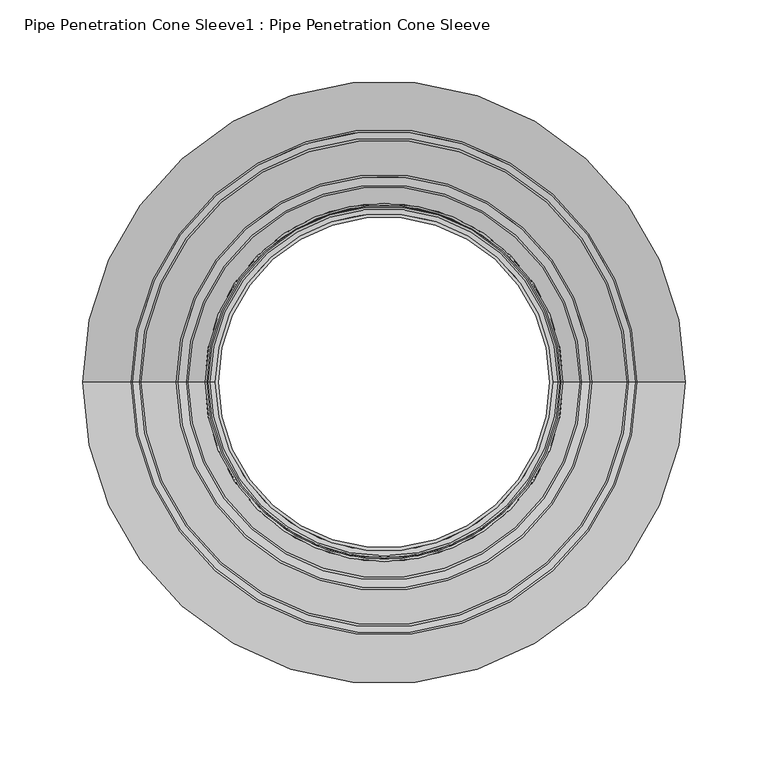
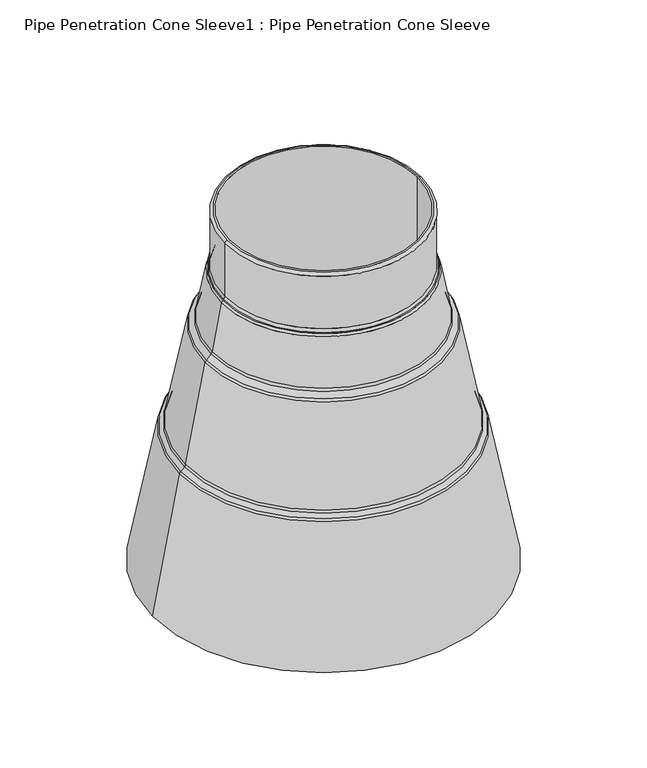
"""IFC4 building model written with IfcOpenShell, lengths in millimetres: proxy geometry, Pipe Penetration Cone Sleeve1 : Pipe Penetration Cone Sleeve."""

from ifc_helpers import new_model, si_unit, point, frame, origin, place, context, project, spatial, polyline, circle_curve, ellipse_curve, trimmed, source, transform, mapped, element, save
from ifc_brep_helpers import plane_surface, cylinder_surface, revolved_surface, advanced_brep


def pipe_penetration_cone_sleeve1_pipe_penetration_cone_sleeve_346cce12(model_context):
    return source(origin(), model_context, "Body", "AdvancedBrep", [
        advanced_brep(
        [(38092.6228888, -8416.4751597, 6298.0553219), (38292.6228888, -8416.4751597, 6298.0553219), (38292.6228888, -8416.4751597, 5903.0553219), (38092.6228888, -8416.4751597, 5903.0553219), (38087.6228888, -8416.4751597, 6236.1736828), (38297.6228888, -8416.4751597, 6236.1736828), (38297.6228888, -8416.4751597, 6295.0558584), (38087.6228888, -8416.4751597, 6295.0558584), (38085.5854491, -8416.4751597, 6232.0651753), (38299.6603285, -8416.4751597, 6232.0651753), (38299.0873549, -8416.4751597, 6232.6381489), (38086.1584227, -8416.4751597, 6232.6381489), (38074.301714, -8416.4751597, 6178.4953268), (38310.9440636, -8416.4751597, 6178.4953268), (38301.0329305, -8416.4751597, 6229.4836864), (38084.2128471, -8416.4751597, 6229.4836864), (38068.0198865, -8416.4751597, 6171.0046124), (38317.225891, -8416.4751597, 6171.0046124), (38312.3166656, -8416.4751597, 6175.9138378), (38072.929112, -8416.4751597, 6175.9138378), (38045.8381123, -8416.4751597, 6061.3692131), (38339.4076652, -8416.4751597, 6061.3692131), (38318.598493, -8416.4751597, 6168.4231235), (38066.6472845, -8416.4751597, 6168.4231235), (38040.7732679, -8416.4751597, 6055.0954818), (38344.4725096, -8416.4751597, 6055.0954818), (38340.7802672, -8416.4751597, 6058.7877242), (38044.4655103, -8416.4751597, 6058.7877242), (38010.3488433, -8416.4751597, 5903.0553219), (38374.8969343, -8416.4751597, 5903.0553219), (38345.8451116, -8416.4751597, 6052.5139928), (38039.4006659, -8416.4751597, 6052.5139928), (38294.6234252, -8416.4751597, 6298.0553219), (38090.6223523, -8416.4751597, 6298.0553219)],
        [
            (0, 1, circle_curve(frame((38192.6228888, -8416.4751597, 6298.0553219), z_axis=(0.0, 0.0, 1.0), x_axis=(1.0, 0.0, 0.0)), 100.0)),
            (1, 2),
            (2, 3, circle_curve(frame((38192.6228888, -8416.4751597, 5903.0553219), z_axis=(0.0, 0.0, -1.0), x_axis=(1.0, 0.0, 0.0)), 100.0)),
            (3, 0),
            (4, 5, circle_curve(frame((38192.6228888, -8416.4751597, 6236.1736828), z_axis=(0.0, 0.0, 1.0), x_axis=(1.0, 0.0, 0.0)), 105.0)),
            (5, 6),
            (6, 7, circle_curve(frame((38192.6228888, -8416.4751597, 6295.0558584), z_axis=(0.0, 0.0, -1.0), x_axis=(1.0, 0.0, 0.0)), 105.0)),
            (7, 4),
            (8, 9, circle_curve(frame((38192.6228888, -8416.4751597, 6232.0651753), z_axis=(0.0, 0.0, 1.0), x_axis=(1.0, 0.0, 0.0)), 107.0374397)),
            (9, 10),
            (10, 11, circle_curve(frame((38192.6228888, -8416.4751597, 6232.6381489), z_axis=(0.0, 0.0, -1.0), x_axis=(1.0, 0.0, 0.0)), 106.4644661)),
            (11, 8),
            (12, 13, circle_curve(frame((38192.6228888, -8416.4751597, 6178.4953268), z_axis=(0.0, 0.0, 1.0), x_axis=(1.0, 0.0, 0.0)), 118.3211748)),
            (13, 14),
            (14, 15, circle_curve(frame((38192.6228888, -8416.4751597, 6229.4836864), z_axis=(0.0, 0.0, -1.0), x_axis=(1.0, 0.0, 0.0)), 108.4100417)),
            (15, 12),
            (16, 17, circle_curve(frame((38192.6228888, -8416.4751597, 6171.0046124), z_axis=(0.0, 0.0, 1.0), x_axis=(1.0, 0.0, 0.0)), 124.6030022)),
            (17, 18),
            (18, 19, circle_curve(frame((38192.6228888, -8416.4751597, 6175.9138378), z_axis=(0.0, 0.0, -1.0), x_axis=(1.0, 0.0, 0.0)), 119.6937768)),
            (19, 16),
            (20, 21, circle_curve(frame((38192.6228888, -8416.4751597, 6061.3692131), z_axis=(0.0, 0.0, 1.0), x_axis=(1.0, 0.0, 0.0)), 146.7847764)),
            (21, 22),
            (22, 23, circle_curve(frame((38192.6228888, -8416.4751597, 6168.4231235), z_axis=(0.0, 0.0, -1.0), x_axis=(1.0, 0.0, 0.0)), 125.9756043)),
            (23, 20),
            (24, 25, circle_curve(frame((38192.6228888, -8416.4751597, 6055.0954818), z_axis=(0.0, 0.0, 1.0), x_axis=(1.0, 0.0, 0.0)), 151.8496208)),
            (25, 26),
            (26, 27, circle_curve(frame((38192.6228888, -8416.4751597, 6058.7877242), z_axis=(0.0, 0.0, -1.0), x_axis=(1.0, 0.0, 0.0)), 148.1573785)),
            (27, 24),
            (28, 29, circle_curve(frame((38192.6228888, -8416.4751597, 5903.0553219), z_axis=(0.0, 0.0, 1.0), x_axis=(1.0, 0.0, 0.0)), 182.2740455)),
            (29, 30),
            (30, 31, circle_curve(frame((38192.6228888, -8416.4751597, 6052.5139928), z_axis=(0.0, 0.0, -1.0), x_axis=(1.0, 0.0, 0.0)), 153.2222229)),
            (31, 28),
            (1, 0, circle_curve(frame((38192.6228888, -8416.4751597, 6298.0553219), z_axis=(0.0, 0.0, 1.0), x_axis=(-1.0, 0.0, 0.0)), 100.0)),
            (3, 2, circle_curve(frame((38192.6228888, -8416.4751597, 5903.0553219), z_axis=(0.0, 0.0, -1.0), x_axis=(-1.0, 0.0, 0.0)), 100.0)),
            (32, 33, circle_curve(frame((38192.6228888, -8416.4751597, 6298.0553219), z_axis=(0.0, 0.0, 1.0), x_axis=(-1.0, 0.0, 0.0)), 102.0005365)),
            (33, 32, circle_curve(frame((38192.6228888, -8416.4751597, 6298.0553219), z_axis=(0.0, 0.0, 1.0), x_axis=(1.0, 0.0, 0.0)), 102.0005365)),
            (5, 4, circle_curve(frame((38192.6228888, -8416.4751597, 6236.1736828), z_axis=(0.0, 0.0, 1.0), x_axis=(-1.0, 0.0, 0.0)), 105.0)),
            (7, 6, circle_curve(frame((38192.6228888, -8416.4751597, 6295.0558584), z_axis=(0.0, 0.0, -1.0), x_axis=(-1.0, 0.0, 0.0)), 105.0)),
            (9, 8, circle_curve(frame((38192.6228888, -8416.4751597, 6232.0651753), z_axis=(0.0, 0.0, 1.0), x_axis=(-1.0, 0.0, 0.0)), 107.0374397)),
            (11, 10, circle_curve(frame((38192.6228888, -8416.4751597, 6232.6381489), z_axis=(0.0, 0.0, -1.0), x_axis=(-1.0, 0.0, 0.0)), 106.4644661)),
            (13, 12, circle_curve(frame((38192.6228888, -8416.4751597, 6178.4953268), z_axis=(0.0, 0.0, 1.0), x_axis=(-1.0, 0.0, 0.0)), 118.3211748)),
            (15, 14, circle_curve(frame((38192.6228888, -8416.4751597, 6229.4836864), z_axis=(0.0, 0.0, -1.0), x_axis=(-1.0, 0.0, 0.0)), 108.4100417)),
            (17, 16, circle_curve(frame((38192.6228888, -8416.4751597, 6171.0046124), z_axis=(0.0, 0.0, 1.0), x_axis=(-1.0, 0.0, 0.0)), 124.6030022)),
            (19, 18, circle_curve(frame((38192.6228888, -8416.4751597, 6175.9138378), z_axis=(0.0, 0.0, -1.0), x_axis=(-1.0, 0.0, 0.0)), 119.6937768)),
            (21, 20, circle_curve(frame((38192.6228888, -8416.4751597, 6061.3692131), z_axis=(0.0, 0.0, 1.0), x_axis=(-1.0, 0.0, 0.0)), 146.7847764)),
            (23, 22, circle_curve(frame((38192.6228888, -8416.4751597, 6168.4231235), z_axis=(0.0, 0.0, -1.0), x_axis=(-1.0, 0.0, 0.0)), 125.9756043)),
            (25, 24, circle_curve(frame((38192.6228888, -8416.4751597, 6055.0954818), z_axis=(0.0, 0.0, 1.0), x_axis=(-1.0, 0.0, 0.0)), 151.8496208)),
            (27, 26, circle_curve(frame((38192.6228888, -8416.4751597, 6058.7877242), z_axis=(0.0, 0.0, -1.0), x_axis=(-1.0, 0.0, 0.0)), 148.1573785)),
            (29, 28, circle_curve(frame((38192.6228888, -8416.4751597, 5903.0553219), z_axis=(0.0, 0.0, 1.0), x_axis=(-1.0, 0.0, 0.0)), 182.2740455)),
            (31, 30, circle_curve(frame((38192.6228888, -8416.4751597, 6052.5139928), z_axis=(0.0, 0.0, -1.0), x_axis=(-1.0, 0.0, 0.0)), 153.2222229)),
            (10, 5, circle_curve(frame((38302.6228888, -8416.4751597, 6236.1736828), z_axis=(0.0, 1.0, 0.0), x_axis=(1.0, 0.0, 0.0)), 5.0)),
            (4, 11, circle_curve(frame((38082.6228888, -8416.4751597, 6236.1736828), z_axis=(0.0, 1.0, 0.0), x_axis=(-1.0, 0.0, 0.0)), 5.0)),
            (14, 9, circle_curve(frame((38296.1247945, -8416.4751597, 6228.5296414), z_axis=(0.0, -1.0, 0.0), x_axis=(1.0, 0.0, 0.0)), 5.0)),
            (8, 15, circle_curve(frame((38089.120983, -8416.4751597, 6228.5296414), z_axis=(0.0, -1.0, 0.0), x_axis=(-1.0, 0.0, 0.0)), 5.0)),
            (18, 13, circle_curve(frame((38315.8521995, -8416.4751597, 6179.4493717), z_axis=(0.0, 1.0, 0.0), x_axis=(1.0, 0.0, 0.0)), 5.0)),
            (12, 19, circle_curve(frame((38069.393578, -8416.4751597, 6179.4493717), z_axis=(0.0, 1.0, 0.0), x_axis=(-1.0, 0.0, 0.0)), 5.0)),
            (22, 17, circle_curve(frame((38313.6903571, -8416.4751597, 6167.4690785), z_axis=(0.0, -1.0, 0.0), x_axis=(1.0, 0.0, 0.0)), 5.0)),
            (16, 23, circle_curve(frame((38071.5554204, -8416.4751597, 6167.4690785), z_axis=(0.0, -1.0, 0.0), x_axis=(-1.0, 0.0, 0.0)), 5.0)),
            (26, 21, circle_curve(frame((38344.3158011, -8416.4751597, 6062.3232581), z_axis=(0.0, 1.0, 0.0), x_axis=(1.0, 0.0, 0.0)), 5.0)),
            (20, 27, circle_curve(frame((38040.9299764, -8416.4751597, 6062.3232581), z_axis=(0.0, 1.0, 0.0), x_axis=(-1.0, 0.0, 0.0)), 5.0)),
            (30, 25, circle_curve(frame((38340.9369757, -8416.4751597, 6051.5599479), z_axis=(0.0, -1.0, 0.0), x_axis=(1.0, 0.0, 0.0)), 5.0)),
            (24, 31, circle_curve(frame((38044.3088018, -8416.4751597, 6051.5599479), z_axis=(0.0, -1.0, 0.0), x_axis=(-1.0, 0.0, 0.0)), 5.0)),
            (6, 32, circle_curve(frame((38294.6234252, -8416.4751597, 6295.0558584), z_axis=(0.0, -1.0, 0.0), x_axis=(1.0, 0.0, 0.0)), 2.9994635)),
            (33, 7, circle_curve(frame((38090.6223523, -8416.4751597, 6295.0558584), z_axis=(0.0, -1.0, 0.0), x_axis=(-1.0, 0.0, 0.0)), 2.9994635)),
        ],
        [
            revolved_surface(polyline([(38292.6228888, -8416.4751597, 5903.0553219), (38292.6228888, -8416.4751597, 6298.0553219)]), (38192.6228888, -8416.4751597, 6708.0553219), (0.0, 0.0, -1.0)),
            cylinder_surface(frame((38192.6228888, -8416.4751597, 6708.0553219), z_axis=(0.0, 0.0, -1.0), x_axis=(1.0, 0.0, 0.0)), 105.0),
            revolved_surface(polyline([(38299.0873549, -8416.4751597, 6232.6381489), (38299.6603285, -8416.4751597, 6232.0651753)]), (38192.6228888, -8416.4751597, 6708.0553219), (0.0, 0.0, -1.0)),
            revolved_surface(polyline([(38301.0329305, -8416.4751597, 6229.4836864), (38310.9440636, -8416.4751597, 6178.4953268)]), (38192.6228888, -8416.4751597, 6708.0553219), (0.0, 0.0, -1.0)),
            revolved_surface(polyline([(38312.3166656, -8416.4751597, 6175.9138378), (38317.225891, -8416.4751597, 6171.0046124)]), (38192.6228888, -8416.4751597, 6708.0553219), (0.0, 0.0, -1.0)),
            revolved_surface(polyline([(38318.598493, -8416.4751597, 6168.4231235), (38339.4076652, -8416.4751597, 6061.3692131)]), (38192.6228888, -8416.4751597, 6708.0553219), (0.0, 0.0, -1.0)),
            revolved_surface(polyline([(38340.7802672, -8416.4751597, 6058.7877242), (38344.4725096, -8416.4751597, 6055.0954818)]), (38192.6228888, -8416.4751597, 6708.0553219), (0.0, 0.0, -1.0)),
            revolved_surface(polyline([(38345.8451116, -8416.4751597, 6052.5139928), (38374.8969343, -8416.4751597, 5903.0553219)]), (38192.6228888, -8416.4751597, 6708.0553219), (0.0, 0.0, -1.0)),
            revolved_surface(polyline([(38092.6228888, -8416.4751597, 5903.0553219), (38092.6228888, -8416.4751597, 6298.0553219)]), (38192.6228888, -8416.4751597, 6708.0553219), (0.0, 0.0, -1.0)),
            plane_surface(frame((38192.6228888, -8416.4751597, 6298.0553219), z_axis=(0.0, 0.0, 1.0), x_axis=(-1.0, 0.0, 0.0))),
            cylinder_surface(frame((38192.6228888, -8416.4751597, 6708.0553219), z_axis=(0.0, 0.0, -1.0), x_axis=(-1.0, 0.0, 0.0)), 105.0),
            revolved_surface(polyline([(38086.1584227, -8416.4751597, 6232.6381489), (38085.5854491, -8416.4751597, 6232.0651753)]), (38192.6228888, -8416.4751597, 6708.0553219), (0.0, 0.0, -1.0)),
            revolved_surface(polyline([(38084.2128471, -8416.4751597, 6229.4836864), (38074.301714, -8416.4751597, 6178.4953268)]), (38192.6228888, -8416.4751597, 6708.0553219), (0.0, 0.0, -1.0)),
            revolved_surface(polyline([(38072.929112, -8416.4751597, 6175.9138378), (38068.0198865, -8416.4751597, 6171.0046124)]), (38192.6228888, -8416.4751597, 6708.0553219), (0.0, 0.0, -1.0)),
            revolved_surface(polyline([(38066.6472845, -8416.4751597, 6168.4231235), (38045.8381123, -8416.4751597, 6061.3692131)]), (38192.6228888, -8416.4751597, 6708.0553219), (0.0, 0.0, -1.0)),
            revolved_surface(polyline([(38044.4655103, -8416.4751597, 6058.7877242), (38040.7732679, -8416.4751597, 6055.0954818)]), (38192.6228888, -8416.4751597, 6708.0553219), (0.0, 0.0, -1.0)),
            revolved_surface(polyline([(38039.4006659, -8416.4751597, 6052.5139928), (38010.3488433, -8416.4751597, 5903.0553219)]), (38192.6228888, -8416.4751597, 6708.0553219), (0.0, 0.0, -1.0)),
            plane_surface(frame((38192.6228888, -8416.4751597, 5903.0553219), z_axis=(0.0, 0.0, -1.0), x_axis=(-1.0, 0.0, 0.0))),
            revolved_surface(trimmed(ellipse_curve(frame((38302.6228888, -8416.4751597, 6236.1736828), z_axis=(0.0, -1.0, 0.0), x_axis=(1.0, 0.0, 0.0)), 5.0, 5.0), [point((38297.6228888, -8416.4751597, 6236.1736828))], [point((38299.0873549, -8416.4751597, 6232.6381489))], True, "CARTESIAN"), (38192.6228888, -8416.4751597, 6708.0553219), (0.0, 0.0, -1.0)),
            revolved_surface(trimmed(ellipse_curve(frame((38296.1247945, -8416.4751597, 6228.5296414), z_axis=(0.0, 1.0, 0.0), x_axis=(1.0, 0.0, 0.0)), 5.0, 5.0), [point((38299.6603285, -8416.4751597, 6232.0651753))], [point((38301.0329305, -8416.4751597, 6229.4836864))], True, "CARTESIAN"), (38192.6228888, -8416.4751597, 6708.0553219), (0.0, 0.0, -1.0)),
            revolved_surface(trimmed(ellipse_curve(frame((38315.8521995, -8416.4751597, 6179.4493717), z_axis=(0.0, -1.0, 0.0), x_axis=(1.0, 0.0, 0.0)), 5.0, 5.0), [point((38310.9440636, -8416.4751597, 6178.4953268))], [point((38312.3166656, -8416.4751597, 6175.9138378))], True, "CARTESIAN"), (38192.6228888, -8416.4751597, 6708.0553219), (0.0, 0.0, -1.0)),
            revolved_surface(trimmed(ellipse_curve(frame((38313.6903571, -8416.4751597, 6167.4690785), z_axis=(0.0, 1.0, 0.0), x_axis=(1.0, 0.0, 0.0)), 5.0, 5.0), [point((38317.225891, -8416.4751597, 6171.0046124))], [point((38318.598493, -8416.4751597, 6168.4231235))], True, "CARTESIAN"), (38192.6228888, -8416.4751597, 6708.0553219), (0.0, 0.0, -1.0)),
            revolved_surface(trimmed(ellipse_curve(frame((38344.3158011, -8416.4751597, 6062.3232581), z_axis=(0.0, -1.0, 0.0), x_axis=(1.0, 0.0, 0.0)), 5.0, 5.0), [point((38339.4076652, -8416.4751597, 6061.3692131))], [point((38340.7802672, -8416.4751597, 6058.7877242))], True, "CARTESIAN"), (38192.6228888, -8416.4751597, 6708.0553219), (0.0, 0.0, -1.0)),
            revolved_surface(trimmed(ellipse_curve(frame((38340.9369757, -8416.4751597, 6051.5599479), z_axis=(0.0, 1.0, 0.0), x_axis=(1.0, 0.0, 0.0)), 5.0, 5.0), [point((38344.4725096, -8416.4751597, 6055.0954818))], [point((38345.8451116, -8416.4751597, 6052.5139928))], True, "CARTESIAN"), (38192.6228888, -8416.4751597, 6708.0553219), (0.0, 0.0, -1.0)),
            revolved_surface(trimmed(ellipse_curve(frame((38082.6228888, -8416.4751597, 6236.1736828), z_axis=(0.0, 1.0, 0.0), x_axis=(-1.0, 0.0, 0.0)), 5.0, 5.0), [point((38087.6228888, -8416.4751597, 6236.1736828))], [point((38086.1584227, -8416.4751597, 6232.6381489))], True, "CARTESIAN"), (38192.6228888, -8416.4751597, 6708.0553219), (0.0, 0.0, -1.0)),
            revolved_surface(trimmed(ellipse_curve(frame((38089.120983, -8416.4751597, 6228.5296414), z_axis=(0.0, -1.0, 0.0), x_axis=(-1.0, 0.0, 0.0)), 5.0, 5.0), [point((38085.5854491, -8416.4751597, 6232.0651753))], [point((38084.2128471, -8416.4751597, 6229.4836864))], True, "CARTESIAN"), (38192.6228888, -8416.4751597, 6708.0553219), (0.0, 0.0, -1.0)),
            revolved_surface(trimmed(ellipse_curve(frame((38069.393578, -8416.4751597, 6179.4493717), z_axis=(0.0, 1.0, 0.0), x_axis=(-1.0, 0.0, 0.0)), 5.0, 5.0), [point((38074.301714, -8416.4751597, 6178.4953268))], [point((38072.929112, -8416.4751597, 6175.9138378))], True, "CARTESIAN"), (38192.6228888, -8416.4751597, 6708.0553219), (0.0, 0.0, -1.0)),
            revolved_surface(trimmed(ellipse_curve(frame((38071.5554204, -8416.4751597, 6167.4690785), z_axis=(0.0, -1.0, 0.0), x_axis=(-1.0, 0.0, 0.0)), 5.0, 5.0), [point((38068.0198865, -8416.4751597, 6171.0046124))], [point((38066.6472845, -8416.4751597, 6168.4231235))], True, "CARTESIAN"), (38192.6228888, -8416.4751597, 6708.0553219), (0.0, 0.0, -1.0)),
            revolved_surface(trimmed(ellipse_curve(frame((38040.9299764, -8416.4751597, 6062.3232581), z_axis=(0.0, 1.0, 0.0), x_axis=(-1.0, 0.0, 0.0)), 5.0, 5.0), [point((38045.8381123, -8416.4751597, 6061.3692131))], [point((38044.4655103, -8416.4751597, 6058.7877242))], True, "CARTESIAN"), (38192.6228888, -8416.4751597, 6708.0553219), (0.0, 0.0, -1.0)),
            revolved_surface(trimmed(ellipse_curve(frame((38044.3088018, -8416.4751597, 6051.5599479), z_axis=(0.0, -1.0, 0.0), x_axis=(-1.0, 0.0, 0.0)), 5.0, 5.0), [point((38040.7732679, -8416.4751597, 6055.0954818))], [point((38039.4006659, -8416.4751597, 6052.5139928))], True, "CARTESIAN"), (38192.6228888, -8416.4751597, 6708.0553219), (0.0, 0.0, -1.0)),
            revolved_surface(trimmed(ellipse_curve(frame((38294.6234252, -8416.4751597, 6295.0558584), z_axis=(0.0, 1.0, 0.0), x_axis=(1.0, 0.0, 0.0)), 2.9994635, 2.9994635), [point((38294.6234252, -8416.4751597, 6298.0553219))], [point((38297.6228888, -8416.4751597, 6295.0558584))], True, "CARTESIAN"), (38192.6228888, -8416.4751597, 6708.0553219), (0.0, 0.0, -1.0)),
            revolved_surface(trimmed(ellipse_curve(frame((38090.6223523, -8416.4751597, 6295.0558584), z_axis=(0.0, -1.0, 0.0), x_axis=(-1.0, 0.0, 0.0)), 2.9994635, 2.9994635), [point((38090.6223523, -8416.4751597, 6298.0553219))], [point((38087.6228888, -8416.4751597, 6295.0558584))], True, "CARTESIAN"), (38192.6228888, -8416.4751597, 6708.0553219), (0.0, 0.0, -1.0)),
        ],
        [
            (0, [[1, 2, 3, 4]]),
            (1, [[5, 6, 7, 8]]),
            (2, [[9, 10, 11, 12]]),
            (3, [[13, 14, 15, 16]]),
            (4, [[17, 18, 19, 20]]),
            (5, [[21, 22, 23, 24]]),
            (6, [[25, 26, 27, 28]]),
            (7, [[29, 30, 31, 32]]),
            (8, [[33, -4, 34, -2]]),
            (9, [[35, 36], [-33, -1]]),
            (10, [[37, -8, 38, -6]]),
            (11, [[39, -12, 40, -10]]),
            (12, [[41, -16, 42, -14]]),
            (13, [[43, -20, 44, -18]]),
            (14, [[45, -24, 46, -22]]),
            (15, [[47, -28, 48, -26]]),
            (16, [[49, -32, 50, -30]]),
            (17, [[-49, -29], [-34, -3]]),
            (18, [[-11, 51, -5, 52]]),
            (19, [[-15, 53, -9, 54]]),
            (20, [[-19, 55, -13, 56]]),
            (21, [[-23, 57, -17, 58]]),
            (22, [[-27, 59, -21, 60]]),
            (23, [[-31, 61, -25, 62]]),
            (24, [[-40, -52, -37, -51]]),
            (25, [[-42, -54, -39, -53]]),
            (26, [[-44, -56, -41, -55]]),
            (27, [[-46, -58, -43, -57]]),
            (28, [[-48, -60, -45, -59]]),
            (29, [[-50, -62, -47, -61]]),
            (30, [[-7, 63, -36, 64]]),
            (31, [[-38, -64, -35, -63]]),
        ],
    ),
    ])


if __name__ == "__main__":
    model = new_model("IFC4")
    model_context = context("Model", 3, world=origin())
    ifc_project = project(units=[si_unit("LENGTHUNIT", "METRE", prefix="MILLI")], contexts=[model_context])
    site = spatial("IfcSite", under=ifc_project)
    building = spatial("IfcBuilding", under=site)
    placement = place(None, origin())
    pipe_penetration_cone_sleeve1_pipe_penetration_cone_sleeve_shape = pipe_penetration_cone_sleeve1_pipe_penetration_cone_sleeve_346cce12(model_context)
    element("IfcBuildingElementProxy", 1, Name="Pipe Penetration Cone Sleeve1 : Pipe Penetration Cone Sleeve", ObjectType="Pipe Penetration Cone Sleeve1 : Pipe Penetration Cone Sleeve", at=placement, inside=building, context=model_context, shape_type="MappedRepresentation", body=[
        mapped(pipe_penetration_cone_sleeve1_pipe_penetration_cone_sleeve_shape, transform((0.0, 0.0, 0.0), x_axis=(1.0, 0.0, 0.0), y_axis=(0.0, 1.0, 0.0), z_axis=(0.0, 0.0, 1.0))),
    ])
    save(model, "model.ifc")
